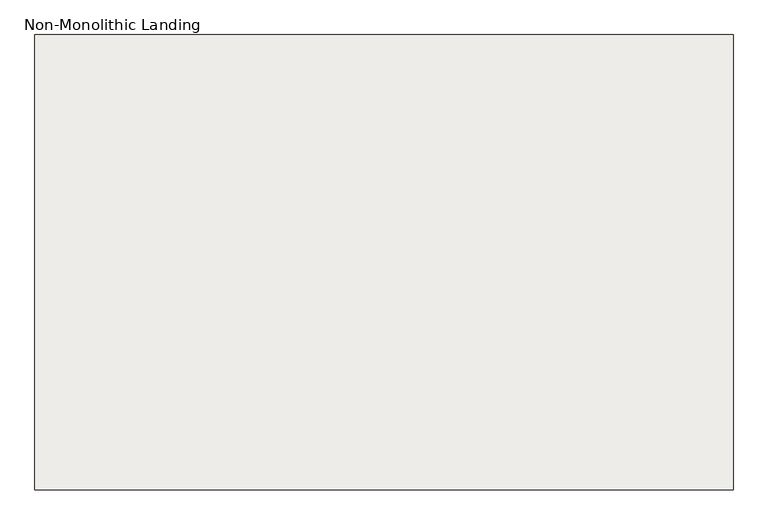
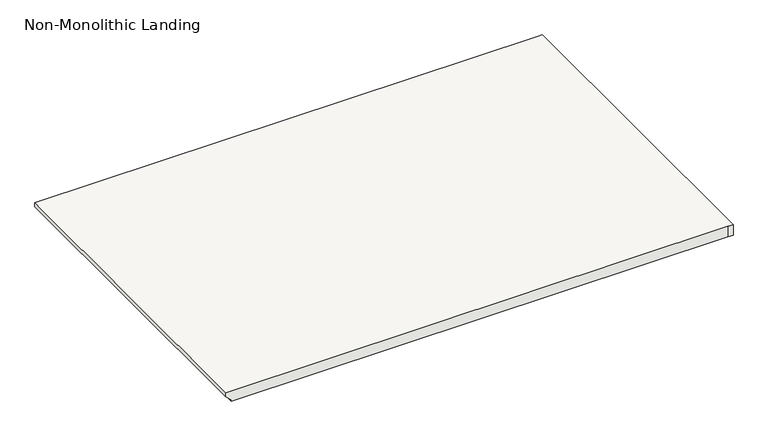
"""IFC4 building model written with IfcOpenShell, lengths in millimetres: slab geometry, Non-Monolithic Landing."""

from ifc_helpers import new_model, si_unit, origin, place, context, project, spatial, faceted_brep, source, transform, mapped, element, save


def non_monolithic_landing_d1bd284a(model_context):
    return source(origin(), model_context, "Body", "Brep", [
        faceted_brep([(33917.3222188, -13326.4219315, -9609.0987805), (33917.3222188, -13326.4219315, -9590.0487805), (33917.3222188, -11802.4219315, -9590.0487805), (33917.3222188, -11802.4219315, -9609.0987805), (33942.7222188, -13326.4219315, -9634.4987805), (33942.7222188, -11802.4219315, -9634.4987805), (36228.7222188, -13326.4219315, -9590.0487805), (36254.1222188, -13326.4219315, -9590.0487805), (36254.1222188, -11802.4219315, -9590.0487805), (36228.7222188, -11802.4219315, -9590.0487805), (33942.7222188, -13326.4219315, -9640.8487805), (33942.7222188, -11802.4219315, -9640.8487805), (36228.7222188, -11802.4219315, -9640.8487805), (36254.1222188, -11802.4219315, -9640.8487805), (36254.1222188, -13326.4219315, -9640.8487805), (36228.7222188, -13326.4219315, -9640.8487805)], [[[0, 1, 2, 3]], [[4, 0, 3, 5]], [[6, 7, 8, 9, 2, 1]], [[10, 11, 12, 13, 14, 15]], [[11, 10, 4, 5]], [[6, 1, 0, 4, 10, 15]], [[7, 6, 15, 14]], [[8, 7, 14, 13]], [[9, 8, 13, 12]], [[2, 9, 12, 11, 5, 3]]]),
    ])


if __name__ == "__main__":
    model = new_model("IFC4")
    model_context = context("Model", 3, world=origin())
    ifc_project = project(units=[si_unit("LENGTHUNIT", "METRE", prefix="MILLI")], contexts=[model_context])
    site = spatial("IfcSite", under=ifc_project)
    building = spatial("IfcBuilding", under=site)
    placement = place(None, origin())
    non_monolithic_landing_shape = non_monolithic_landing_d1bd284a(model_context)
    element("IfcSlab", 1, ObjectType="Non-Monolithic Landing", at=placement, inside=building, context=model_context, shape_type="MappedRepresentation", body=[
        mapped(non_monolithic_landing_shape, transform((0.0, 0.0, 0.0), x_axis=(1.0, 0.0, 0.0), y_axis=(0.0, 1.0, 0.0), z_axis=(0.0, 0.0, 1.0))),
    ])
    save(model, "model.ifc")
